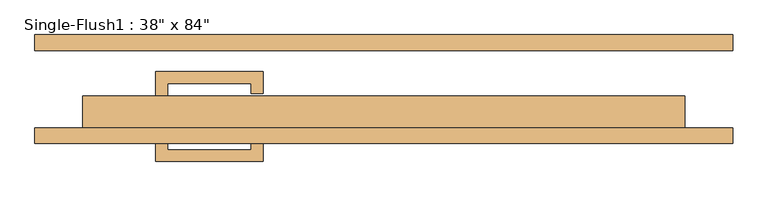
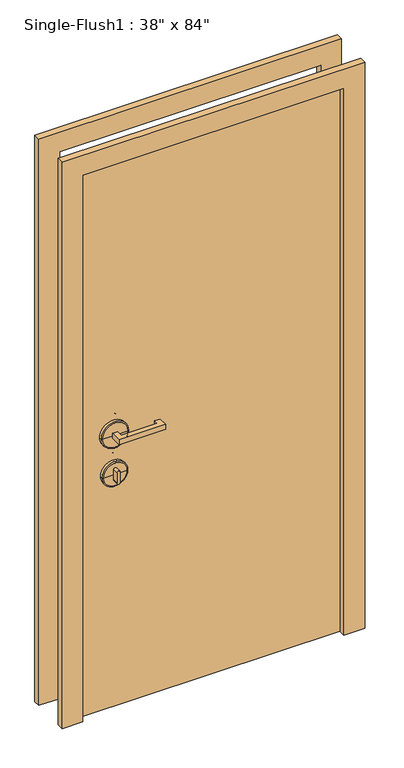
"""IFC4 building model written with IfcOpenShell, lengths in millimetres: door geometry."""

from ifc_helpers import new_model, si_unit, point, frame, frame_2d, origin, origin_with_axes, place, context, project, spatial, polyline, circle_curve, ellipse_curve, trimmed, segment, composite_curve, outline, extrude, source, transform, mapped, element, save
from ifc_brep_helpers import plane_surface, cylinder_surface, revolved_surface, advanced_brep


def door_c1d59459(model_context):
    return source(origin(), model_context, "Body", "SolidModel", [
        extrude(outline(polyline([(-346.075, -12.7), (-365.125, -12.7), (-365.125, 28.575), (-193.675, 28.575), (-193.675, -6.35), (-212.725, -6.35), (-212.725, 9.525), (-346.075, 9.525), (-346.075, -12.7)])), frame((0.0, 0.0, 1057.275), z_axis=(0.0, 0.0, 1.0), x_axis=(1.0, 0.0, 0.0)), (0.0, 0.0, 1.0), 19.05),
        extrude(outline(composite_curve([segment(trimmed(circle_curve(frame_2d((895.35, -355.6)), 6.35), [point((895.35, -361.95))], [point((895.35, -349.25))], False, "CARTESIAN"), True, "CONTINUOUS"), segment(polyline([(895.35, -349.25), (933.45, -349.25)]), True, "CONTINUOUS"), segment(trimmed(circle_curve(frame_2d((933.45, -355.6)), 6.35), [point((933.45, -349.25))], [point((933.45, -361.95))], False, "CARTESIAN"), True, "CONTINUOUS"), segment(polyline([(933.45, -361.95), (895.35, -361.95)]), True, "CONTINUOUS")], self_intersect=False)), frame((0.0, -12.7, 0.0), z_axis=(0.0, 1.0, 0.0), x_axis=(0.0, 0.0, 1.0)), (0.0, 0.0, 1.0), 22.225),
        advanced_brep(
        [(-307.975, -15.875, 914.4), (-403.225, -15.875, 914.4), (-403.225, -25.4, 914.4), (-307.975, -25.4, 914.4), (-311.15, -12.7, 914.4), (-400.05, -12.7, 914.4), (-355.6, -12.7, 914.4), (-355.6, -25.4, 914.4)],
        [
            (0, 1, circle_curve(frame((-355.6, -15.875, 914.4), z_axis=(0.0, -1.0, 0.0), x_axis=(-1.0, 0.0, 0.0)), 47.625)),
            (1, 2),
            (2, 3, circle_curve(frame((-355.6, -25.4, 914.4), z_axis=(0.0, 1.0, 0.0), x_axis=(-1.0, 0.0, 0.0)), 47.625)),
            (3, 0),
            (1, 0, circle_curve(frame((-355.6, -15.875, 914.4), z_axis=(0.0, -1.0, 0.0), x_axis=(-1.0, 0.0, 0.0)), 47.625)),
            (3, 2, circle_curve(frame((-355.6, -25.4, 914.4), z_axis=(0.0, 1.0, 0.0), x_axis=(-1.0, 0.0, 0.0)), 47.625)),
            (4, 5, circle_curve(frame((-355.6, -12.7, 914.4), z_axis=(0.0, -1.0, 0.0), x_axis=(-1.0, 0.0, 0.0)), 44.45)),
            (5, 1, circle_curve(frame((-400.05, -15.875, 914.4), z_axis=(0.0, 0.0, 1.0), x_axis=(1.0, 0.0, 0.0)), 3.175)),
            (0, 4, circle_curve(frame((-311.15, -15.875, 914.4), z_axis=(0.0, 0.0, 1.0), x_axis=(-1.0, 0.0, 0.0)), 3.175)),
            (5, 4, circle_curve(frame((-355.6, -12.7, 914.4), z_axis=(0.0, -1.0, 0.0), x_axis=(-1.0, 0.0, 0.0)), 44.45)),
            (6, 5),
            (4, 6),
            (2, 7),
            (7, 3),
        ],
        [
            cylinder_surface(frame((-355.6, -152.4, 914.4), z_axis=(0.0, 1.0, 0.0), x_axis=(-1.0, 0.0, 0.0)), 47.625),
            revolved_surface(trimmed(ellipse_curve(frame((-400.05, -15.875, 914.4), z_axis=(0.0, 0.0, -1.0), x_axis=(1.0, 0.0, 0.0)), 3.175, 3.175), [point((-403.225, -15.875, 914.4))], [point((-400.05, -12.7, 914.4))], True, "CARTESIAN"), (-355.6, -152.4, 914.4), (0.0, 1.0, 0.0)),
            plane_surface(frame((-355.6, -12.7, 914.4), z_axis=(0.0, 1.0, 0.0), x_axis=(-1.0, 0.0, 0.0))),
            plane_surface(frame((-355.6, -25.4, 914.4), z_axis=(0.0, -1.0, 0.0), x_axis=(-1.0, 0.0, 0.0))),
        ],
        [
            (0, [[1, 2, 3, 4]]),
            (0, [[5, -4, 6, -2]]),
            (1, [[7, 8, -1, 9]]),
            (1, [[10, -9, -5, -8]]),
            (2, [[11, -7, 12]]),
            (2, [[-12, -10, -11]]),
            (3, [[-3, 13, 14]]),
            (3, [[-6, -14, -13]]),
        ],
    ),
        advanced_brep(
        [(-304.8, -15.875, 1066.8), (-406.4, -15.875, 1066.8), (-406.4, -25.4, 1066.8), (-304.8, -25.4, 1066.8), (-307.975, -12.7, 1066.8), (-403.225, -12.7, 1066.8), (-355.6, -12.7, 1066.8), (-355.6, -25.4, 1066.8)],
        [
            (0, 1, circle_curve(frame((-355.6, -15.875, 1066.8), z_axis=(0.0, -1.0, 0.0), x_axis=(-1.0, 0.0, 0.0)), 50.8)),
            (1, 2),
            (2, 3, circle_curve(frame((-355.6, -25.4, 1066.8), z_axis=(0.0, 1.0, 0.0), x_axis=(-1.0, 0.0, 0.0)), 50.8)),
            (3, 0),
            (1, 0, circle_curve(frame((-355.6, -15.875, 1066.8), z_axis=(0.0, -1.0, 0.0), x_axis=(-1.0, 0.0, 0.0)), 50.8)),
            (3, 2, circle_curve(frame((-355.6, -25.4, 1066.8), z_axis=(0.0, 1.0, 0.0), x_axis=(-1.0, 0.0, 0.0)), 50.8)),
            (4, 5, circle_curve(frame((-355.6, -12.7, 1066.8), z_axis=(0.0, -1.0, 0.0), x_axis=(-1.0, 0.0, 0.0)), 47.625)),
            (5, 1, circle_curve(frame((-403.225, -15.875, 1066.8), z_axis=(0.0, 0.0, 1.0), x_axis=(1.0, 0.0, 0.0)), 3.175)),
            (0, 4, circle_curve(frame((-307.975, -15.875, 1066.8), z_axis=(0.0, 0.0, 1.0), x_axis=(-1.0, 0.0, 0.0)), 3.175)),
            (5, 4, circle_curve(frame((-355.6, -12.7, 1066.8), z_axis=(0.0, -1.0, 0.0), x_axis=(-1.0, 0.0, 0.0)), 47.625)),
            (6, 5),
            (4, 6),
            (2, 7),
            (7, 3),
        ],
        [
            cylinder_surface(frame((-355.6, -152.4, 1066.8), z_axis=(0.0, 1.0, 0.0), x_axis=(-1.0, 0.0, 0.0)), 50.8),
            revolved_surface(trimmed(ellipse_curve(frame((-403.225, -15.875, 1066.8), z_axis=(0.0, 0.0, -1.0), x_axis=(1.0, 0.0, 0.0)), 3.175, 3.175), [point((-406.4, -15.875, 1066.8))], [point((-403.225, -12.7, 1066.8))], True, "CARTESIAN"), (-355.6, -152.4, 1066.8), (0.0, 1.0, 0.0)),
            plane_surface(frame((-355.6, -12.7, 1066.8), z_axis=(0.0, 1.0, 0.0), x_axis=(-1.0, 0.0, 0.0))),
            plane_surface(frame((-355.6, -25.4, 1066.8), z_axis=(0.0, -1.0, 0.0), x_axis=(-1.0, 0.0, 0.0))),
        ],
        [
            (0, [[1, 2, 3, 4]]),
            (0, [[5, -4, 6, -2]]),
            (1, [[7, 8, -1, 9]]),
            (1, [[10, -9, -5, -8]]),
            (2, [[11, -7, 12]]),
            (2, [[-12, -10, -11]]),
            (3, [[-3, 13, 14]]),
            (3, [[-6, -14, -13]]),
        ],
    ),
        extrude(outline(polyline([(-346.075, -74.6125), (-346.075, -96.8375), (-212.725, -96.8375), (-212.725, -80.9625), (-193.675, -80.9625), (-193.675, -115.8875), (-365.125, -115.8875), (-365.125, -74.6125), (-346.075, -74.6125)])), frame((0.0, 0.0, 1057.275), z_axis=(0.0, 0.0, 1.0), x_axis=(1.0, 0.0, 0.0)), (0.0, 0.0, 1.0), 19.05),
        extrude(outline(composite_curve([segment(trimmed(circle_curve(frame_2d((895.35, -355.6)), 6.35), [point((895.35, -361.95))], [point((895.35, -349.25))], False, "CARTESIAN"), True, "CONTINUOUS"), segment(polyline([(895.35, -349.25), (933.45, -349.25)]), True, "CONTINUOUS"), segment(trimmed(circle_curve(frame_2d((933.45, -355.6)), 6.35), [point((933.45, -349.25))], [point((933.45, -361.95))], False, "CARTESIAN"), True, "CONTINUOUS"), segment(polyline([(933.45, -361.95), (895.35, -361.95)]), True, "CONTINUOUS")], self_intersect=False)), frame((0.0, -96.8375, 0.0), z_axis=(0.0, 1.0, 0.0), x_axis=(0.0, 0.0, 1.0)), (0.0, 0.0, 1.0), 22.225),
        advanced_brep(
        [(-307.975, -71.4375, 914.4), (-307.975, -61.9125, 914.4), (-403.225, -61.9125, 914.4), (-403.225, -71.4375, 914.4), (-311.15, -74.6125, 914.4), (-400.05, -74.6125, 914.4), (-355.6, -74.6125, 914.4), (-355.6, -61.9125, 914.4)],
        [
            (0, 1),
            (1, 2, circle_curve(frame((-355.6, -61.9125, 914.4), z_axis=(0.0, -1.0, 0.0), x_axis=(-1.0, 0.0, 0.0)), 47.625)),
            (2, 3),
            (3, 0, circle_curve(frame((-355.6, -71.4375, 914.4), z_axis=(0.0, 1.0, 0.0), x_axis=(-1.0, 0.0, 0.0)), 47.625)),
            (2, 1, circle_curve(frame((-355.6, -61.9125, 914.4), z_axis=(0.0, -1.0, 0.0), x_axis=(-1.0, 0.0, 0.0)), 47.625)),
            (0, 3, circle_curve(frame((-355.6, -71.4375, 914.4), z_axis=(0.0, 1.0, 0.0), x_axis=(-1.0, 0.0, 0.0)), 47.625)),
            (4, 0, circle_curve(frame((-311.15, -71.4375, 914.4), z_axis=(0.0, 0.0, 1.0), x_axis=(-1.0, 0.0, 0.0)), 3.175)),
            (3, 5, circle_curve(frame((-400.05, -71.4375, 914.4), z_axis=(0.0, 0.0, 1.0), x_axis=(1.0, 0.0, 0.0)), 3.175)),
            (5, 4, circle_curve(frame((-355.6, -74.6125, 914.4), z_axis=(0.0, 1.0, 0.0), x_axis=(-1.0, 0.0, 0.0)), 44.45)),
            (4, 5, circle_curve(frame((-355.6, -74.6125, 914.4), z_axis=(0.0, 1.0, 0.0), x_axis=(-1.0, 0.0, 0.0)), 44.45)),
            (6, 4),
            (5, 6),
            (1, 7),
            (7, 2),
        ],
        [
            cylinder_surface(frame((-355.6, 65.0875, 914.4), z_axis=(0.0, -1.0, 0.0), x_axis=(-1.0, 0.0, 0.0)), 47.625),
            revolved_surface(trimmed(ellipse_curve(frame((-400.05, -71.4375, 914.4), z_axis=(0.0, 0.0, 1.0), x_axis=(1.0, 0.0, 0.0)), 3.175, 3.175), [point((-403.225, -71.4375, 914.4))], [point((-400.05, -74.6125, 914.4))], True, "CARTESIAN"), (-355.6, 65.0875, 914.4), (0.0, -1.0, 0.0)),
            plane_surface(frame((-355.6, -74.6125, 914.4), z_axis=(0.0, -1.0, 0.0), x_axis=(-1.0, 0.0, 0.0))),
            plane_surface(frame((-355.6, -61.9125, 914.4), z_axis=(0.0, 1.0, 0.0), x_axis=(-1.0, 0.0, 0.0))),
        ],
        [
            (0, [[1, 2, 3, 4]]),
            (0, [[-3, 5, -1, 6]]),
            (1, [[7, -4, 8, 9]]),
            (1, [[-8, -6, -7, 10]]),
            (2, [[11, -9, 12]]),
            (2, [[-12, -10, -11]]),
            (3, [[13, 14, -2]]),
            (3, [[-14, -13, -5]]),
        ],
    ),
        advanced_brep(
        [(-304.8, -71.4375, 1066.8), (-304.8, -61.9125, 1066.8), (-406.4, -61.9125, 1066.8), (-406.4, -71.4375, 1066.8), (-307.975, -74.6125, 1066.8), (-403.225, -74.6125, 1066.8), (-355.6, -74.6125, 1066.8), (-355.6, -61.9125, 1066.8)],
        [
            (0, 1),
            (1, 2, circle_curve(frame((-355.6, -61.9125, 1066.8), z_axis=(0.0, -1.0, 0.0), x_axis=(-1.0, 0.0, 0.0)), 50.8)),
            (2, 3),
            (3, 0, circle_curve(frame((-355.6, -71.4375, 1066.8), z_axis=(0.0, 1.0, 0.0), x_axis=(-1.0, 0.0, 0.0)), 50.8)),
            (2, 1, circle_curve(frame((-355.6, -61.9125, 1066.8), z_axis=(0.0, -1.0, 0.0), x_axis=(-1.0, 0.0, 0.0)), 50.8)),
            (0, 3, circle_curve(frame((-355.6, -71.4375, 1066.8), z_axis=(0.0, 1.0, 0.0), x_axis=(-1.0, 0.0, 0.0)), 50.8)),
            (4, 0, circle_curve(frame((-307.975, -71.4375, 1066.8), z_axis=(0.0, 0.0, 1.0), x_axis=(-1.0, 0.0, 0.0)), 3.175)),
            (3, 5, circle_curve(frame((-403.225, -71.4375, 1066.8), z_axis=(0.0, 0.0, 1.0), x_axis=(1.0, 0.0, 0.0)), 3.175)),
            (5, 4, circle_curve(frame((-355.6, -74.6125, 1066.8), z_axis=(0.0, 1.0, 0.0), x_axis=(-1.0, 0.0, 0.0)), 47.625)),
            (4, 5, circle_curve(frame((-355.6, -74.6125, 1066.8), z_axis=(0.0, 1.0, 0.0), x_axis=(-1.0, 0.0, 0.0)), 47.625)),
            (6, 4),
            (5, 6),
            (1, 7),
            (7, 2),
        ],
        [
            cylinder_surface(frame((-355.6, 65.0875, 1066.8), z_axis=(0.0, -1.0, 0.0), x_axis=(-1.0, 0.0, 0.0)), 50.8),
            revolved_surface(trimmed(ellipse_curve(frame((-403.225, -71.4375, 1066.8), z_axis=(0.0, 0.0, 1.0), x_axis=(1.0, 0.0, 0.0)), 3.175, 3.175), [point((-406.4, -71.4375, 1066.8))], [point((-403.225, -74.6125, 1066.8))], True, "CARTESIAN"), (-355.6, 65.0875, 1066.8), (0.0, -1.0, 0.0)),
            plane_surface(frame((-355.6, -74.6125, 1066.8), z_axis=(0.0, -1.0, 0.0), x_axis=(-1.0, 0.0, 0.0))),
            plane_surface(frame((-355.6, -61.9125, 1066.8), z_axis=(0.0, 1.0, 0.0), x_axis=(-1.0, 0.0, 0.0))),
        ],
        [
            (0, [[1, 2, 3, 4]]),
            (0, [[-3, 5, -1, 6]]),
            (1, [[7, -4, 8, 9]]),
            (1, [[-8, -6, -7, 10]]),
            (2, [[11, -9, 12]]),
            (2, [[-12, -10, -11]]),
            (3, [[13, 14, -2]]),
            (3, [[-14, -13, -5]]),
        ],
    ),
        extrude(outline(polyline([(2209.8, -558.8), (0.0, -558.8), (0.0, -482.6), (2133.6, -482.6), (2133.6, 482.6), (0.0, 482.6), (0.0, 558.8), (2209.8, 558.8), (2209.8, -558.8)])), frame((0.0, -87.3125, 0.0), z_axis=(0.0, 1.0, 0.0), x_axis=(0.0, 0.0, 1.0)), (0.0, 0.0, 1.0), 25.4),
        extrude(outline(polyline([(2209.8, 558.8), (2209.8, -558.8), (0.0, -558.8), (0.0, -482.6), (2133.6, -482.6), (2133.6, 482.6), (0.0, 482.6), (0.0, 558.8), (2209.8, 558.8)])), frame((0.0, 61.9125, 0.0), z_axis=(0.0, 1.0, 0.0), x_axis=(0.0, 0.0, 1.0)), (0.0, 0.0, 1.0), 25.4),
        extrude(outline(polyline([(482.6, -11.1125), (482.6, -61.9125), (-482.6, -61.9125), (-482.6, -11.1125), (482.6, -11.1125)])), origin_with_axes(), (0.0, 0.0, 1.0), 2133.6),
    ])


if __name__ == "__main__":
    model = new_model("IFC4")
    model_context = context("Model", 3, world=origin())
    ifc_project = project(units=[si_unit("LENGTHUNIT", "METRE", prefix="MILLI")], contexts=[model_context])
    site = spatial("IfcSite", under=ifc_project)
    building = spatial("IfcBuilding", under=site)
    placement = place(None, origin())
    door_shape = door_c1d59459(model_context)
    element("IfcDoor", 1, ObjectType="Single-Flush1 : 38\" x 84\"", at=placement, inside=building, context=model_context, shape_type="MappedRepresentation", body=[
        mapped(door_shape, transform((0.0, 0.0, 0.0), x_axis=(1.0, 0.0, 0.0), y_axis=(0.0, 1.0, 0.0), z_axis=(0.0, 0.0, 1.0))),
    ])
    save(model, "model.ifc")
